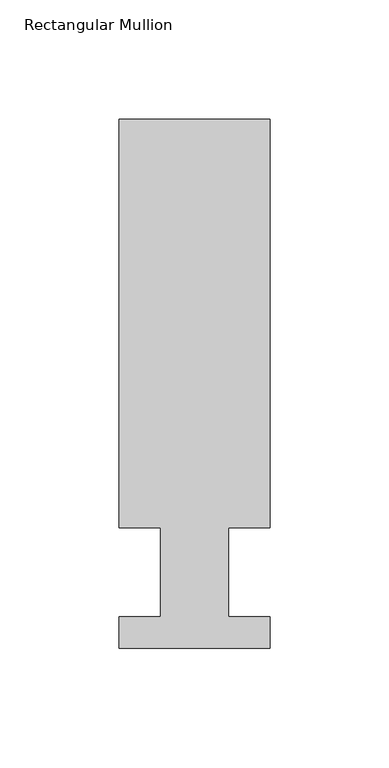
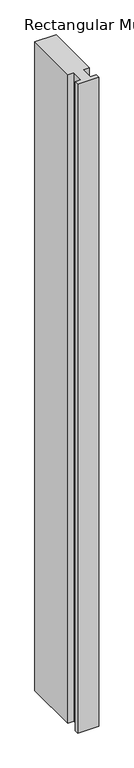
"""IFC4 building model written with IfcOpenShell, lengths in millimetres: member geometry, Rectangular Mullion."""

import ifcopenshell
import ifcopenshell.guid

model = None  # the IFC model being written
_history = None  # IfcOwnerHistory: only IFC2X3 demands one
_inside = {}  # id of a spatial element -> (the spatial element, [elements in it])
_under = {}  # id of a project, library or spatial element -> (it, [spatial elements below it])
_declared = {}  # id of a project -> (the project, [libraries it declares])
_typed = {}  # id of a type object -> (the type object, [elements of that type])
_made_of = {}  # id of a material, layer set ... -> (it, [elements and type objects made of it])


def new_model(schema):
    """Start an empty IFC model of exactly this schema.

    Asked for "IFC4X3", IfcOpenShell would pick the latest addendum, in which some entities
    have other attributes; the version numbers below select the first issue.
    IFC2X3 requires an IfcOwnerHistory on every rooted entity: one is made here for all.
    """
    global model, _history
    if schema == "IFC4X3":
        model = ifcopenshell.file(schema_version=(4, 3, 0, 0))
    else:
        model = ifcopenshell.file(schema=schema)
    _inside.clear()
    _under.clear()
    _declared.clear()
    _typed.clear()
    _made_of.clear()
    _history = None
    if model.schema == "IFC2X3":
        org = make("IfcOrganization", Name="unknown")
        user = make(
            "IfcPersonAndOrganization",
            ThePerson=make("IfcPerson", FamilyName="unknown"),
            TheOrganization=org,
        )
        app = make(
            "IfcApplication",
            ApplicationDeveloper=org,
            Version="unknown",
            ApplicationFullName="unknown",
            ApplicationIdentifier="unknown",
        )
        _history = make(
            "IfcOwnerHistory",
            OwningUser=user,
            OwningApplication=app,
            ChangeAction="ADDED",
            CreationDate=0,
        )
    return model


def make(cls, **values):
    """One entity of the class cls with the attributes given. An attribute that is None is left unset."""
    return model.create_entity(
        cls, **{name: value for name, value in values.items() if value is not None}
    )


def rooted(cls, **values):
    """An entity with a GlobalId (a new one), such as an element, a storey or a relation."""
    return make(cls, GlobalId=ifcopenshell.guid.new(), OwnerHistory=_history, **values)


def si_unit(unit_type, name, prefix=None):
    """IfcSIUnit, for example si_unit("LENGTHUNIT", "METRE", prefix="MILLI")."""
    return make("IfcSIUnit", UnitType=unit_type, Prefix=prefix, Name=name)


def assignment(units):
    """IfcUnitAssignment: the units of a project."""
    return None if units is None else make("IfcUnitAssignment", Units=units)


def point(xyz):
    """IfcCartesianPoint."""
    return None if xyz is None else make("IfcCartesianPoint", Coordinates=xyz)


def direction(xyz):
    """IfcDirection."""
    return None if xyz is None else make("IfcDirection", DirectionRatios=xyz)


def frame(location, z_axis=None, x_axis=None):
    """IfcAxis2Placement3D, a coordinate frame: its origin and axes. An axis left out is left unset."""
    return make(
        "IfcAxis2Placement3D",
        Location=point(location),
        Axis=direction(z_axis),
        RefDirection=direction(x_axis),
    )


def origin():
    """The frame at (0, 0, 0) with its axes left unset."""
    return frame((0.0, 0.0, 0.0))


def place(relative_to, where):
    """IfcLocalPlacement: puts the frame where relative to a parent placement (None: the world)."""
    return make(
        "IfcLocalPlacement", PlacementRelTo=relative_to, RelativePlacement=where
    )


def context(
    kind, dimensions, precision=None, world=None, true_north=None, identifier=None
):
    """IfcGeometricRepresentationContext, for example the 3D "Model" context."""
    return make(
        "IfcGeometricRepresentationContext",
        ContextIdentifier=identifier,
        ContextType=kind,
        CoordinateSpaceDimension=dimensions,
        Precision=precision,
        WorldCoordinateSystem=world,
        TrueNorth=true_north,
    )


def project(units=None, contexts=None):
    """IfcProject with its units and contexts."""
    return rooted(
        "IfcProject",
        Name="project",
        RepresentationContexts=contexts,
        UnitsInContext=assignment(units),
    )


def spatial(cls, under=None, at=None, **own):
    """A site, building, storey or space (cls), placed at a placement, below another one or the project."""
    s = rooted(cls, ObjectPlacement=at, **own)
    if under is not None:
        _under.setdefault(under.id(), (under, []))[1].append(s)
    return s


def polyline(points):
    """IfcPolyline through the points."""
    return make("IfcPolyline", Points=[point(p) for p in points])


def outline(outer, holes=None, kind="AREA"):
    """IfcArbitraryClosedProfileDef: a profile drawn as a closed curve; with holes, ...WithVoids."""
    if holes is None:
        return make("IfcArbitraryClosedProfileDef", ProfileType=kind, OuterCurve=outer)
    return make(
        "IfcArbitraryProfileDefWithVoids",
        ProfileType=kind,
        OuterCurve=outer,
        InnerCurves=holes,
    )


def extrude(swept, where, along, depth):
    """IfcExtrudedAreaSolid: the profile swept, set in the frame where, extruded along a direction by depth."""
    return make(
        "IfcExtrudedAreaSolid",
        SweptArea=swept,
        Position=where,
        ExtrudedDirection=direction(along),
        Depth=depth,
    )


def shape(context_of_items, identifier, shape_type, items):
    """IfcShapeRepresentation: the items that make up one representation, for example the "Body"."""
    return make(
        "IfcShapeRepresentation",
        ContextOfItems=context_of_items,
        RepresentationIdentifier=identifier,
        RepresentationType=shape_type,
        Items=items,
    )


def source(mapping_origin, context_of_items, identifier, shape_type, items):
    """IfcRepresentationMap: a shape defined once, which mapped items show again and again."""
    return make(
        "IfcRepresentationMap",
        MappingOrigin=mapping_origin,
        MappedRepresentation=shape(context_of_items, identifier, shape_type, items),
    )


def transform(
    local_origin,
    x_axis=None,
    y_axis=None,
    z_axis=None,
    scale=None,
    scale2=None,
    scale3=None,
    uniform=True,
):
    """IfcCartesianTransformationOperator3D, or its non-uniform kind. x_axis, y_axis, z_axis: its Axis1, 2, 3."""
    if uniform:
        return make(
            "IfcCartesianTransformationOperator3D",
            Axis1=direction(x_axis),
            Axis2=direction(y_axis),
            LocalOrigin=point(local_origin),
            Scale=scale,
            Axis3=direction(z_axis),
        )
    return make(
        "IfcCartesianTransformationOperator3DnonUniform",
        Axis1=direction(x_axis),
        Axis2=direction(y_axis),
        LocalOrigin=point(local_origin),
        Scale=scale,
        Axis3=direction(z_axis),
        Scale2=scale2,
        Scale3=scale3,
    )


def mapped(mapping_source, mapping_target):
    """IfcMappedItem: shows the shape of a source again, moved by a transform."""
    return make(
        "IfcMappedItem", MappingSource=mapping_source, MappingTarget=mapping_target
    )


def made_of(thing, what):
    """Note that an element or type object is made of a material, layer set ...; save() writes the relation."""
    if what is not None:
        _made_of.setdefault(what.id(), (what, []))[1].append(thing)
    return thing


def element(
    cls,
    number,
    at=None,
    inside=None,
    cuts=None,
    type_object=None,
    material=None,
    context=None,
    identifier="Body",
    shape_type=None,
    held_by="IfcProductDefinitionShape",
    body=None,
    shapes=None,
    **own,
):
    """One element of the class cls, such as IfcWall. Its Tag is "e" and its number.

    at: its placement. inside: the storey or other place that contains it. cuts: it is an
    opening in that element (IfcRelVoidsElement). A single representation is given by context,
    identifier, shape_type and body (its items); several are given by shapes. held_by: the class
    of the entity that holds the representations. save() writes the other relations.
    """
    e = rooted(cls, Tag="e%d" % number, ObjectPlacement=at, **own)
    if body is not None:
        shapes = [shape(context, identifier, shape_type, body)]
    if shapes is not None:
        e.Representation = make(held_by, Representations=shapes)
    if inside is not None:
        _inside.setdefault(inside.id(), (inside, []))[1].append(e)
    if cuts is not None:
        rooted(
            "IfcRelVoidsElement", RelatingBuildingElement=cuts, RelatedOpeningElement=e
        )
    if type_object is not None:
        _typed.setdefault(type_object.id(), (type_object, []))[1].append(e)
    return made_of(e, material)


def aggregate(whole, parts):
    """IfcRelAggregates: a whole, such as a stair, and the parts it consists of."""
    return rooted("IfcRelAggregates", RelatingObject=whole, RelatedObjects=parts)


def save(model, path):
    """Write the relations noted so far, then the file.

    IfcRelAggregates (storeys below a building ...), IfcRelContainedInSpatialStructure (elements
    in a storey), IfcRelDefinesByType, IfcRelAssociatesMaterial and IfcRelDeclares: one each for
    every whole, place, type object, material and project.
    """
    for whole, parts in _under.values():
        aggregate(whole, parts)
    for where, things in _inside.values():
        rooted(
            "IfcRelContainedInSpatialStructure",
            RelatedElements=things,
            RelatingStructure=where,
        )
    for kind, things in _typed.values():
        rooted("IfcRelDefinesByType", RelatedObjects=things, RelatingType=kind)
    for what, things in _made_of.values():
        rooted("IfcRelAssociatesMaterial", RelatedObjects=things, RelatingMaterial=what)
    for by, libraries in _declared.values():
        rooted("IfcRelDeclares", RelatingContext=by, RelatedDefinitions=libraries)
    model.write(path)


def rectangular_mullion_ca13576e(model_context):
    return source(origin(), model_context, "Body", "SweptSolid", [
        extrude(outline(polyline([(-31.7500006, 222.5381313), (31.7499994, 222.5381313), (31.7499994, 50.8087295), (14.2747994, 50.8087295), (14.2747994, 13.3945312), (31.7499994, 13.3945312), (31.7499994, 0.2119312), (-31.7500006, 0.2119312), (-31.7500006, 13.3945312), (-14.2747998, 13.3945312), (-14.2747998, 50.8087295), (-31.7500006, 50.8087295), (-31.7500006, 222.5381313)])), frame((0.0, 0.0, -2057.3999999), z_axis=(0.0, 0.0, 1.0), x_axis=(1.0, 0.0, 0.0)), (0.0, 0.0, 1.0), 2057.3999999),
    ])


if __name__ == "__main__":
    model = new_model("IFC4")
    model_context = context("Model", 3, world=origin())
    ifc_project = project(units=[si_unit("LENGTHUNIT", "METRE", prefix="MILLI")], contexts=[model_context])
    site = spatial("IfcSite", under=ifc_project)
    building = spatial("IfcBuilding", under=site)
    placement = place(None, origin())
    rectangular_mullion_shape = rectangular_mullion_ca13576e(model_context)
    element("IfcMember", 1, ObjectType="Rectangular Mullion", at=placement, inside=building, context=model_context, shape_type="MappedRepresentation", body=[
        mapped(rectangular_mullion_shape, transform((0.0, 0.0, 0.0), x_axis=(1.0, 0.0, 0.0), y_axis=(0.0, 1.0, 0.0), z_axis=(0.0, 0.0, 1.0))),
    ])
    save(model, "model.ifc")
